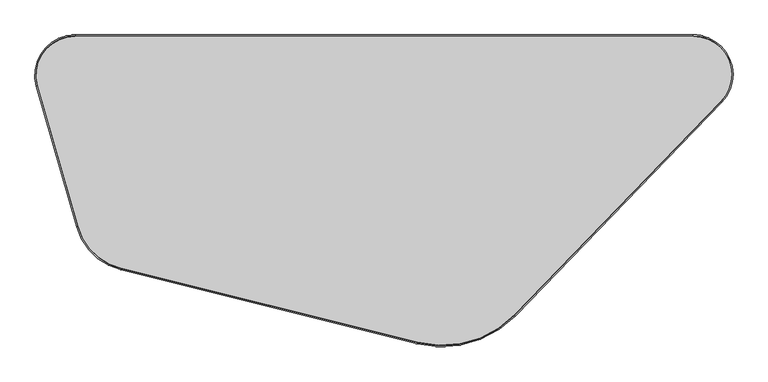
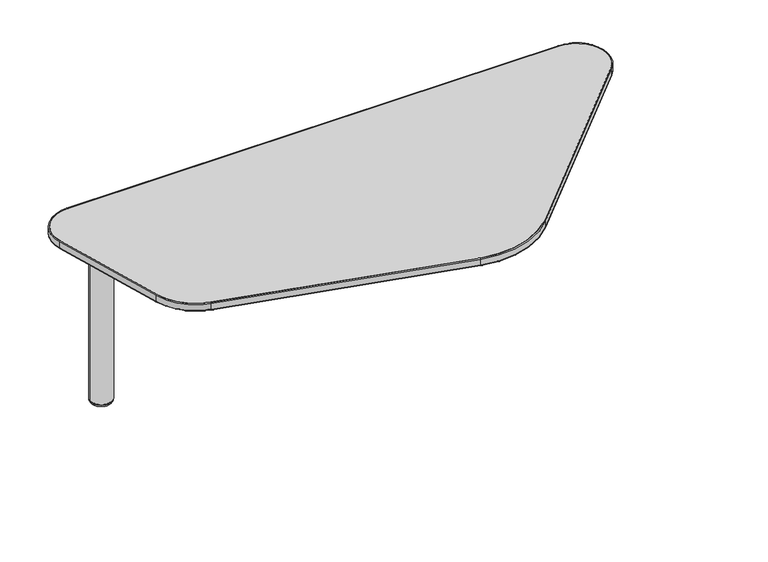
"""IFC4 building model written with IfcOpenShell, lengths in millimetres: furniture geometry."""

from ifc_helpers import new_model, si_unit, point, frame, frame_2d, origin, place, context, project, spatial, polyline, circle_curve, ellipse_curve, trimmed, segment, composite_curve, outline, extrude, source, transform, mapped, element, save
from ifc_brep_helpers import plane_surface, cylinder_surface, revolved_surface, advanced_brep


def furniture_d8603c51(model_context):
    return source(origin(), model_context, "Body", "SolidModel", [
        advanced_brep(
        [(151.892485, -160.0920056, 522.3460139), (123.7369482, -160.0920056, 522.3460139), (95.5814114, -160.0920056, 522.3460139), (151.892485, -160.0920056, 497.9086974), (95.5814114, -160.0920056, 497.9086974), (154.9928771, -160.0920056, 497.9086974), (92.4810193, -160.0920056, 497.9086974), (154.9928771, -160.0920056, 485.9002831), (92.4810193, -160.0920056, 485.9002831), (159.0300459, -160.0920056, 485.9002831), (88.4438505, -160.0920056, 485.9002831), (159.0300459, -160.0920056, 10.2163535), (88.4438505, -160.0920056, 10.2163535), (157.7621151, -160.0920056, 9.4693355), (89.7117813, -160.0920056, 9.4693355), (158.607376, -160.0920056, 8.8323857), (88.8665204, -160.0920056, 8.8323857), (150.4469167, -160.0920056, 0.0), (97.0269797, -160.0920056, 0.0), (123.7369482, -160.0920056, 0.0)],
        [
            (0, 1),
            (1, 2),
            (2, 0, circle_curve(frame((123.7369482, -160.0920056, 522.3460139), z_axis=(0.0, 0.0, 1.0), x_axis=(-1.0, 0.0, 0.0)), 28.1555368)),
            (0, 2, circle_curve(frame((123.7369482, -160.0920056, 522.3460139), z_axis=(0.0, 0.0, 1.0), x_axis=(-1.0, 0.0, 0.0)), 28.1555368)),
            (3, 0),
            (2, 4),
            (4, 3, circle_curve(frame((123.7369482, -160.0920056, 497.9086974), z_axis=(0.0, 0.0, 1.0), x_axis=(-1.0, 0.0, 0.0)), 28.1555368)),
            (3, 4, circle_curve(frame((123.7369482, -160.0920056, 497.9086974), z_axis=(0.0, 0.0, 1.0), x_axis=(-1.0, 0.0, 0.0)), 28.1555368)),
            (5, 3),
            (4, 6),
            (6, 5, circle_curve(frame((123.7369482, -160.0920056, 497.9086974), z_axis=(0.0, 0.0, 1.0), x_axis=(-1.0, 0.0, 0.0)), 31.2559289)),
            (5, 6, circle_curve(frame((123.7369482, -160.0920056, 497.9086974), z_axis=(0.0, 0.0, 1.0), x_axis=(-1.0, 0.0, 0.0)), 31.2559289)),
            (7, 5),
            (6, 8),
            (8, 7, circle_curve(frame((123.7369482, -160.0920056, 485.9002831), z_axis=(0.0, 0.0, 1.0), x_axis=(-1.0, 0.0, 0.0)), 31.2559289)),
            (7, 8, circle_curve(frame((123.7369482, -160.0920056, 485.9002831), z_axis=(0.0, 0.0, 1.0), x_axis=(-1.0, 0.0, 0.0)), 31.2559289)),
            (9, 7),
            (8, 10),
            (10, 9, circle_curve(frame((123.7369482, -160.0920056, 485.9002831), z_axis=(0.0, 0.0, 1.0), x_axis=(-1.0, 0.0, 0.0)), 35.2930977)),
            (9, 10, circle_curve(frame((123.7369482, -160.0920056, 485.9002831), z_axis=(0.0, 0.0, 1.0), x_axis=(-1.0, 0.0, 0.0)), 35.2930977)),
            (11, 9),
            (10, 12),
            (12, 11, circle_curve(frame((123.7369482, -160.0920056, 10.2163535), z_axis=(0.0, 0.0, 1.0), x_axis=(-1.0, 0.0, 0.0)), 35.2930977)),
            (11, 12, circle_curve(frame((123.7369482, -160.0920056, 10.2163535), z_axis=(0.0, 0.0, 1.0), x_axis=(-1.0, 0.0, 0.0)), 35.2930977)),
            (13, 11, circle_curve(frame((157.5737586, -160.0920056, 11.2385904), z_axis=(0.0, -1.0, 0.0), x_axis=(-1.0, 0.0, 0.0)), 1.7792529)),
            (12, 14, circle_curve(frame((89.9001378, -160.0920056, 11.2385904), z_axis=(0.0, -1.0, 0.0), x_axis=(1.0, 0.0, 0.0)), 1.7792529)),
            (14, 13, circle_curve(frame((123.7369482, -160.0920056, 9.4693355), z_axis=(0.0, 0.0, 1.0), x_axis=(-1.0, 0.0, 0.0)), 34.0251669)),
            (13, 14, circle_curve(frame((123.7369482, -160.0920056, 9.4693355), z_axis=(0.0, 0.0, 1.0), x_axis=(-1.0, 0.0, 0.0)), 34.0251669)),
            (15, 13, circle_curve(frame((157.0664072, -160.0920056, 7.6667755), z_axis=(0.0, -1.0, 0.0), x_axis=(-1.0, 0.0, 0.0)), 1.9321573)),
            (14, 16, circle_curve(frame((90.4074892, -160.0920056, 7.6667755), z_axis=(0.0, -1.0, 0.0), x_axis=(1.0, 0.0, 0.0)), 1.9321573)),
            (16, 15, circle_curve(frame((123.7369482, -160.0920056, 8.8323857), z_axis=(0.0, 0.0, 1.0), x_axis=(-1.0, 0.0, 0.0)), 34.8704278)),
            (15, 16, circle_curve(frame((123.7369482, -160.0920056, 8.8323857), z_axis=(0.0, 0.0, 1.0), x_axis=(-1.0, 0.0, 0.0)), 34.8704278)),
            (17, 15, circle_curve(frame((150.4469167, -160.0920056, 8.1860178), z_axis=(0.0, -1.0, 0.0), x_axis=(-1.0, 0.0, 0.0)), 8.1860178)),
            (16, 18, circle_curve(frame((97.0269797, -160.0920056, 8.1860178), z_axis=(0.0, -1.0, 0.0), x_axis=(1.0, 0.0, 0.0)), 8.1860178)),
            (18, 17, circle_curve(frame((123.7369482, -160.0920056, 0.0), z_axis=(0.0, 0.0, 1.0), x_axis=(-1.0, 0.0, 0.0)), 26.7099685)),
            (17, 18, circle_curve(frame((123.7369482, -160.0920056, 0.0), z_axis=(0.0, 0.0, 1.0), x_axis=(-1.0, 0.0, 0.0)), 26.7099685)),
            (19, 17),
            (18, 19),
        ],
        [
            plane_surface(frame((123.7369482, -160.0920056, 522.3460139), z_axis=(0.0, 0.0, 1.0), x_axis=(-1.0, 0.0, 0.0))),
            cylinder_surface(frame((123.7369482, -160.0920056, -31.75), z_axis=(0.0, 0.0, -1.0), x_axis=(-1.0, 0.0, 0.0)), 28.1555368),
            plane_surface(frame((123.7369482, -160.0920056, 497.9086974), z_axis=(0.0, 0.0, 1.0), x_axis=(-1.0, 0.0, 0.0))),
            cylinder_surface(frame((123.7369482, -160.0920056, -31.75), z_axis=(0.0, 0.0, -1.0), x_axis=(-1.0, 0.0, 0.0)), 31.2559289),
            plane_surface(frame((123.7369482, -160.0920056, 485.9002831), z_axis=(0.0, 0.0, 1.0), x_axis=(-1.0, 0.0, 0.0))),
            cylinder_surface(frame((123.7369482, -160.0920056, -31.75), z_axis=(0.0, 0.0, -1.0), x_axis=(-1.0, 0.0, 0.0)), 35.2930977),
            revolved_surface(trimmed(ellipse_curve(frame((89.9001378, -160.0920056, 11.2385904), z_axis=(0.0, -1.0, 0.0), x_axis=(1.0, 0.0, 0.0)), 1.7792529, 1.7792529), [point((88.4438505, -160.0920056, 10.2163535))], [point((89.7117813, -160.0920056, 9.4693355))], True, "CARTESIAN"), (123.7369482, -160.0920056, -31.75), (0.0, 0.0, -1.0)),
            revolved_surface(trimmed(ellipse_curve(frame((90.4074892, -160.0920056, 7.6667755), z_axis=(0.0, -1.0, 0.0), x_axis=(1.0, 0.0, 0.0)), 1.9321573, 1.9321573), [point((89.7117813, -160.0920056, 9.4693355))], [point((88.8665204, -160.0920056, 8.8323857))], True, "CARTESIAN"), (123.7369482, -160.0920056, -31.75), (0.0, 0.0, -1.0)),
            revolved_surface(trimmed(ellipse_curve(frame((97.0269797, -160.0920056, 8.1860178), z_axis=(0.0, -1.0, 0.0), x_axis=(1.0, 0.0, 0.0)), 8.1860178, 8.1860178), [point((88.8665204, -160.0920056, 8.8323857))], [point((97.0269797, -160.0920056, 0.0))], True, "CARTESIAN"), (123.7369482, -160.0920056, -31.75), (0.0, 0.0, -1.0)),
            plane_surface(frame((123.7369482, -160.0920056, 0.0), z_axis=(0.0, 0.0, -1.0), x_axis=(-1.0, 0.0, 0.0))),
        ],
        [
            (0, [[1, 2, 3]]),
            (0, [[-2, -1, 4]]),
            (1, [[5, -3, 6, 7]]),
            (1, [[-6, -4, -5, 8]]),
            (2, [[9, -7, 10, 11]]),
            (2, [[-10, -8, -9, 12]]),
            (3, [[13, -11, 14, 15]]),
            (3, [[-14, -12, -13, 16]]),
            (4, [[17, -15, 18, 19]]),
            (4, [[-18, -16, -17, 20]]),
            (5, [[21, -19, 22, 23]]),
            (5, [[-22, -20, -21, 24]]),
            (6, [[25, -23, 26, 27]]),
            (6, [[-26, -24, -25, 28]]),
            (7, [[29, -27, 30, 31]]),
            (7, [[-30, -28, -29, 32]]),
            (8, [[33, -31, 34, 35]]),
            (8, [[-34, -32, -33, 36]]),
            (9, [[37, -35, 38]]),
            (9, [[-38, -36, -37]]),
        ],
    ),
        advanced_brep(
        [(1777.2858768, -171.7138583, 548.8114043), (1777.2858768, -171.7138583, 574.04), (1706.0580257, -3.81, 574.04), (1706.0580257, -3.81, 548.8114043), (1780.0254096, -174.361699, 551.3514043), (1778.1990544, -172.5964719, 548.8114043), (1706.0580257, -2.54, 548.8114043), (1706.0580257, 0.0, 551.3514043), (1780.0254096, -174.361699, 571.5), (1706.0580257, 0.0, 571.5), (1778.1990544, -172.5964719, 574.04), (1706.0580257, -2.54, 574.04), (1242.620881, -724.8937589, 548.8114043), (1242.620881, -724.8937589, 574.04), (1245.3604138, -727.5415996, 551.3514043), (1243.5340586, -725.7763725, 548.8114043), (1245.3604138, -727.5415996, 571.5), (1243.5340586, -725.7763725, 574.04), (992.3252449, -796.5470514, 548.8114043), (992.3252449, -796.5470514, 574.04), (991.4019147, -800.2434769, 551.3514043), (992.0174681, -797.7791932, 548.8114043), (991.4019147, -800.2434769, 571.5), (992.0174681, -797.7791932, 574.04), (224.4975267, -604.7513419, 548.8114043), (224.4975267, -604.7513419, 574.04), (223.5741965, -608.4477673, 551.3514043), (224.18975, -605.9834837, 548.8114043), (223.5741965, -608.4477673, 571.5), (224.18975, -605.9834837, 574.04), (112.1766645, -496.1898977, 548.8114043), (112.1766645, -496.1898977, 574.04), (108.5138011, -497.2384831, 551.3514043), (110.95571, -496.5394262, 548.8114043), (108.5138011, -497.2384831, 571.5), (110.95571, -496.5394262, 574.04), (7.8475055, -131.7527482, 548.8114043), (7.8475055, -131.7527482, 574.04), (4.184642, -132.8013335, 551.3514043), (6.626551, -132.1022766, 548.8114043), (4.184642, -132.8013335, 571.5), (6.626551, -132.1022766, 574.04), (104.3029099, -3.81, 548.8114043), (104.3029099, -3.81, 574.04), (104.3029099, 0.0, 551.3514043), (104.3029099, -2.54, 548.8114043), (104.3029099, 0.0, 571.5), (104.3029099, -2.54, 574.04)],
        [
            (0, 1),
            (1, 2, circle_curve(frame((1706.0580257, -102.87, 574.04), z_axis=(0.0, 0.0, 1.0), x_axis=(0.0, 1.0, 0.0)), 99.06)),
            (2, 3),
            (3, 0, circle_curve(frame((1706.0580257, -102.87, 548.8114043), z_axis=(0.0, 0.0, -1.0), x_axis=(0.0, 1.0, 0.0)), 99.06)),
            (4, 5, circle_curve(frame((1778.1990544, -172.5964719, 551.3514043), z_axis=(0.694971313598274, 0.7190374630542483, 0.0), x_axis=(-0.7190374630542483, 0.694971313598274, 0.0)), 2.54)),
            (5, 6, circle_curve(frame((1706.0580257, -102.87, 548.8114043), z_axis=(0.0, 0.0, 1.0), x_axis=(0.0, 1.0, 0.0)), 100.33)),
            (6, 7, circle_curve(frame((1706.0580257, -2.54, 551.3514043), z_axis=(1.0, 0.0, 0.0), x_axis=(0.0, -1.0, 0.0)), 2.54)),
            (7, 4, circle_curve(frame((1706.0580257, -102.87, 551.3514043), z_axis=(0.0, 0.0, -1.0), x_axis=(0.0, 1.0, 0.0)), 102.87)),
            (8, 4),
            (7, 9),
            (9, 8, circle_curve(frame((1706.0580257, -102.87, 571.5), z_axis=(0.0, 0.0, -1.0), x_axis=(0.0, 1.0, 0.0)), 102.87)),
            (10, 8, circle_curve(frame((1778.1990544, -172.5964719, 571.5), z_axis=(0.6949713135982734, 0.719037463054249, 0.0), x_axis=(-0.719037463054249, 0.6949713135982734, 0.0)), 2.54)),
            (9, 11, circle_curve(frame((1706.0580257, -2.54, 571.5), z_axis=(1.0, 0.0, 0.0), x_axis=(0.0, -1.0, 0.0)), 2.54)),
            (11, 10, circle_curve(frame((1706.0580257, -102.87, 574.04), z_axis=(0.0, 0.0, -1.0), x_axis=(0.0, 1.0, 0.0)), 100.33)),
            (0, 12),
            (12, 13),
            (13, 1),
            (4, 14),
            (14, 15, circle_curve(frame((1243.5340586, -725.7763725, 551.3514043), z_axis=(0.6949713135982748, 0.7190374630542476, 0.0), x_axis=(-0.7190374630542475, 0.6949713135982747, 0.0)), 2.54)),
            (15, 5),
            (8, 16),
            (16, 14),
            (10, 17),
            (17, 16, circle_curve(frame((1243.5340586, -725.7763725, 571.5), z_axis=(0.6949713135982748, 0.7190374630542476, 0.0), x_axis=(-0.7190374630542475, 0.6949713135982747, 0.0)), 2.54)),
            (18, 19),
            (19, 13, circle_curve(frame((1055.4194775, -543.9579774, 574.04), z_axis=(0.0, 0.0, 1.0), x_axis=(0.7190374630542474, -0.6949713135982749, 0.0)), 260.35)),
            (12, 18, circle_curve(frame((1055.4194775, -543.9579774, 548.8114043), z_axis=(0.0, 0.0, -1.0), x_axis=(0.7190374630542474, -0.6949713135982749, 0.0)), 260.35)),
            (20, 21, circle_curve(frame((992.0174681, -797.7791932, 551.3514043), z_axis=(0.9701904129296972, -0.2423438933814996, 0.0), x_axis=(0.2423438933814996, 0.9701904129296972, 0.0)), 2.54)),
            (21, 15, circle_curve(frame((1055.4194775, -543.9579774, 548.8114043), z_axis=(0.0, 0.0, 1.0), x_axis=(0.7190374630542474, -0.6949713135982749, 0.0)), 261.62)),
            (14, 20, circle_curve(frame((1055.4194775, -543.9579774, 551.3514043), z_axis=(0.0, 0.0, -1.0), x_axis=(0.7190374630542474, -0.6949713135982749, 0.0)), 264.16)),
            (22, 20),
            (16, 22, circle_curve(frame((1055.4194775, -543.9579774, 571.5), z_axis=(0.0, 0.0, -1.0), x_axis=(0.7190374630542474, -0.6949713135982749, 0.0)), 264.16)),
            (23, 22, circle_curve(frame((992.0174681, -797.7791932, 571.5), z_axis=(0.9701904129296972, -0.24234389338149975, 0.0), x_axis=(0.24234389338149975, 0.9701904129296972, 0.0)), 2.54)),
            (17, 23, circle_curve(frame((1055.4194775, -543.9579774, 574.04), z_axis=(0.0, 0.0, -1.0), x_axis=(0.7190374630542474, -0.6949713135982749, 0.0)), 261.62)),
            (18, 24),
            (24, 25),
            (25, 19),
            (20, 26),
            (26, 27, circle_curve(frame((224.18975, -605.9834837, 551.3514043), z_axis=(0.9701904129296971, -0.24234389338150003, 0.0), x_axis=(0.24234389338150003, 0.9701904129296971, 0.0)), 2.54)),
            (27, 21),
            (22, 28),
            (28, 26),
            (23, 29),
            (29, 28, circle_curve(frame((224.18975, -605.9834837, 571.5), z_axis=(0.9701904129296971, -0.24234389338150003, 0.0), x_axis=(0.24234389338150003, 0.9701904129296971, 0.0)), 2.54)),
            (30, 31),
            (31, 25, circle_curve(frame((262.3540663, -453.1978975, 574.04), z_axis=(0.0, 0.0, 1.0), x_axis=(-0.24234389338150045, -0.970190412929697, 0.0)), 156.21)),
            (24, 30, circle_curve(frame((262.3540663, -453.1978975, 548.8114043), z_axis=(0.0, 0.0, -1.0), x_axis=(-0.24234389338150045, -0.970190412929697, 0.0)), 156.21)),
            (32, 33, circle_curve(frame((110.95571, -496.5394262, 551.3514043), z_axis=(0.27521925798007263, -0.9613814851747968, 0.0), x_axis=(0.9613814851747968, 0.27521925798007263, 0.0)), 2.54)),
            (33, 27, circle_curve(frame((262.3540663, -453.1978975, 548.8114043), z_axis=(0.0, 0.0, 1.0), x_axis=(-0.24234389338150045, -0.970190412929697, 0.0)), 157.48)),
            (26, 32, circle_curve(frame((262.3540663, -453.1978975, 551.3514043), z_axis=(0.0, 0.0, -1.0), x_axis=(-0.24234389338150045, -0.970190412929697, 0.0)), 160.02)),
            (34, 32),
            (28, 34, circle_curve(frame((262.3540663, -453.1978975, 571.5), z_axis=(0.0, 0.0, -1.0), x_axis=(-0.24234389338150045, -0.970190412929697, 0.0)), 160.02)),
            (35, 34, circle_curve(frame((110.95571, -496.5394262, 571.5), z_axis=(0.2752192579800722, -0.961381485174797, 0.0), x_axis=(0.961381485174797, 0.2752192579800722, 0.0)), 2.54)),
            (29, 35, circle_curve(frame((262.3540663, -453.1978975, 574.04), z_axis=(0.0, 0.0, -1.0), x_axis=(-0.24234389338150045, -0.970190412929697, 0.0)), 157.48)),
            (30, 36),
            (36, 37),
            (37, 31),
            (32, 38),
            (38, 39, circle_curve(frame((6.626551, -132.1022766, 551.3514043), z_axis=(0.2752192579800734, -0.9613814851747967, 0.0), x_axis=(0.9613814851747967, 0.2752192579800734, 0.0)), 2.54)),
            (39, 33),
            (34, 40),
            (40, 38),
            (35, 41),
            (41, 40, circle_curve(frame((6.626551, -132.1022766, 571.5), z_axis=(0.2752192579800734, -0.9613814851747967, 0.0), x_axis=(0.9613814851747967, 0.2752192579800734, 0.0)), 2.54)),
            (42, 43),
            (43, 37, circle_curve(frame((104.3029099, -104.14, 574.04), z_axis=(0.0, 0.0, 1.0), x_axis=(-0.9613814851747966, -0.27521925798007385, 0.0)), 100.33)),
            (36, 42, circle_curve(frame((104.3029099, -104.14, 548.8114043), z_axis=(0.0, 0.0, -1.0), x_axis=(-0.9613814851747966, -0.27521925798007385, 0.0)), 100.33)),
            (44, 45, circle_curve(frame((104.3029099, -2.54, 551.3514043), z_axis=(-1.0, 0.0, 0.0), x_axis=(0.0, -1.0, 0.0)), 2.54)),
            (45, 39, circle_curve(frame((104.3029099, -104.14, 548.8114043), z_axis=(0.0, 0.0, 1.0), x_axis=(-0.9613814851747966, -0.27521925798007385, 0.0)), 101.6)),
            (38, 44, circle_curve(frame((104.3029099, -104.14, 551.3514043), z_axis=(0.0, 0.0, -1.0), x_axis=(-0.9613814851747966, -0.27521925798007385, 0.0)), 104.14)),
            (46, 44),
            (40, 46, circle_curve(frame((104.3029099, -104.14, 571.5), z_axis=(0.0, 0.0, -1.0), x_axis=(-0.9613814851747966, -0.27521925798007385, 0.0)), 104.14)),
            (47, 46, circle_curve(frame((104.3029099, -2.54, 571.5), z_axis=(-1.0, 0.0, 0.0), x_axis=(0.0, -1.0, 0.0)), 2.54)),
            (41, 47, circle_curve(frame((104.3029099, -104.14, 574.04), z_axis=(0.0, 0.0, -1.0), x_axis=(-0.9613814851747966, -0.27521925798007385, 0.0)), 101.6)),
            (42, 3),
            (2, 43),
            (45, 6),
            (44, 7),
            (46, 9),
            (47, 11),
        ],
        [
            revolved_surface(polyline([(1706.0580257, -3.8100000000000023, 574.04), (1706.0580257, -3.8100000000000023, 548.8114043)]), (1706.0580257, -102.87, 0.0), (0.0, 0.0, 1.0)),
            revolved_surface(trimmed(ellipse_curve(frame((1706.0580257, -2.54, 551.3514043), z_axis=(1.0, 0.0, 0.0), x_axis=(0.0, -1.0, 0.0)), 2.54, 2.54), [point((1706.0580257, -2.54, 548.8114043))], [point((1706.0580257, 0.0, 551.3514043))], True, "CARTESIAN"), (1706.0580257, -102.87, 0.0), (0.0, 0.0, 1.0)),
            cylinder_surface(frame((1706.0580257, -102.87, 0.0), z_axis=(0.0, 0.0, 1.0), x_axis=(0.0, 1.0, 0.0)), 102.87),
            revolved_surface(trimmed(ellipse_curve(frame((1706.0580257, -2.54, 571.5), z_axis=(1.0, 0.0, 0.0), x_axis=(0.0, -1.0, 0.0)), 2.54, 2.54), [point((1706.0580257, 0.0, 571.5))], [point((1706.0580257, -2.54, 574.04))], True, "CARTESIAN"), (1706.0580257, -102.87, 0.0), (0.0, 0.0, 1.0)),
            plane_surface(frame((1777.2858768, -171.7138583, 574.04), z_axis=(-0.7190374630542475, 0.6949713135982749, 0.0), x_axis=(-0.6949713135982749, -0.7190374630542475, 0.0))),
            cylinder_surface(frame((1778.1990544, -172.5964719, 551.3514043), z_axis=(0.6949713135982747, 0.7190374630542475, 0.0), x_axis=(-0.7190374630542475, 0.6949713135982747, 0.0)), 2.54),
            plane_surface(frame((1780.0254096, -174.361699, 551.3514043), z_axis=(0.7190374630542478, -0.6949713135982747, 0.0), x_axis=(-0.6949713135982747, -0.7190374630542478, 0.0))),
            cylinder_surface(frame((1778.1990544, -172.5964719, 571.5), z_axis=(0.6949713135982747, 0.7190374630542475, 0.0), x_axis=(-0.7190374630542475, 0.6949713135982747, 0.0)), 2.54),
            revolved_surface(polyline([(1242.6208810061735, -724.8937588953108, 574.04), (1242.6208810061735, -724.8937588953108, 548.8114043)]), (1055.4194775, -543.9579774, 0.0), (0.0, 0.0, 1.0)),
            revolved_surface(trimmed(ellipse_curve(frame((1243.5340586, -725.7763725, 551.3514043), z_axis=(-0.6949713135982749, -0.7190374630542474, 0.0), x_axis=(-0.7190374630542474, 0.6949713135982749, 0.0)), 2.54, 2.54), [point((1243.5340586, -725.7763725, 548.8114043))], [point((1245.3604138, -727.5415996, 551.3514043))], True, "CARTESIAN"), (1055.4194775, -543.9579774, 0.0), (0.0, 0.0, 1.0)),
            cylinder_surface(frame((1055.4194775, -543.9579774, 0.0), z_axis=(0.0, 0.0, 1.0), x_axis=(0.7190374630542474, -0.6949713135982749, 0.0)), 264.16),
            revolved_surface(trimmed(ellipse_curve(frame((1243.5340586, -725.7763725, 571.5), z_axis=(-0.6949713135982749, -0.7190374630542474, 0.0), x_axis=(-0.7190374630542474, 0.6949713135982749, 0.0)), 2.54, 2.54), [point((1245.3604138, -727.5415996, 571.5))], [point((1243.5340586, -725.7763725, 574.04))], True, "CARTESIAN"), (1055.4194775, -543.9579774, 0.0), (0.0, 0.0, 1.0)),
            plane_surface(frame((992.3252449, -796.5470514, 574.04), z_axis=(0.2423438933814999, 0.9701904129296972, 0.0), x_axis=(-0.9701904129296972, 0.2423438933814999, 0.0))),
            cylinder_surface(frame((992.0174681, -797.7791932, 551.3514043), z_axis=(0.9701904129296971, -0.24234389338150003, 0.0), x_axis=(0.24234389338150003, 0.9701904129296971, 0.0)), 2.54),
            plane_surface(frame((991.4019147, -800.2434769, 551.3514043), z_axis=(-0.24234389338149964, -0.9701904129296972, 0.0), x_axis=(-0.9701904129296972, 0.24234389338149964, 0.0))),
            cylinder_surface(frame((992.0174681, -797.7791932, 571.5), z_axis=(0.9701904129296971, -0.24234389338150003, 0.0), x_axis=(0.24234389338150003, 0.9701904129296971, 0.0)), 2.54),
            revolved_surface(polyline([(224.49752671487582, -604.751341903748, 574.04), (224.49752671487582, -604.751341903748, 548.8114043)]), (262.3540663, -453.1978975, 0.0), (0.0, 0.0, 1.0)),
            revolved_surface(trimmed(ellipse_curve(frame((224.18975, -605.9834837, 551.3514043), z_axis=(-0.9701904129296969, 0.2423438933815008, 0.0), x_axis=(0.2423438933815008, 0.9701904129296969, 0.0)), 2.54, 2.54), [point((224.18975, -605.9834837, 548.8114043))], [point((223.5741965, -608.4477673, 551.3514043))], True, "CARTESIAN"), (262.3540663, -453.1978975, 0.0), (0.0, 0.0, 1.0)),
            cylinder_surface(frame((262.3540663, -453.1978975, 0.0), z_axis=(0.0, 0.0, 1.0), x_axis=(-0.24234389338150045, -0.970190412929697, 0.0)), 160.02),
            revolved_surface(trimmed(ellipse_curve(frame((224.18975, -605.9834837, 571.5), z_axis=(-0.9701904129296969, 0.2423438933815008, 0.0), x_axis=(0.2423438933815008, 0.9701904129296969, 0.0)), 2.54, 2.54), [point((223.5741965, -608.4477673, 571.5))], [point((224.18975, -605.9834837, 574.04))], True, "CARTESIAN"), (262.3540663, -453.1978975, 0.0), (0.0, 0.0, 1.0)),
            plane_surface(frame((112.1766645, -496.1898977, 574.04), z_axis=(0.9613814851747967, 0.27521925798007346, 0.0), x_axis=(-0.27521925798007346, 0.9613814851747967, 0.0))),
            cylinder_surface(frame((110.95571, -496.5394262, 551.3514043), z_axis=(0.2752192579800734, -0.9613814851747967, 0.0), x_axis=(0.9613814851747967, 0.2752192579800734, 0.0)), 2.54),
            plane_surface(frame((108.5138011, -497.2384831, 551.3514043), z_axis=(-0.9613814851747967, -0.2752192579800732, 0.0), x_axis=(-0.2752192579800732, 0.9613814851747967, 0.0))),
            cylinder_surface(frame((110.95571, -496.5394262, 571.5), z_axis=(0.2752192579800734, -0.9613814851747967, 0.0), x_axis=(0.9613814851747967, 0.2752192579800734, 0.0)), 2.54),
            revolved_surface(polyline([(7.847505492412665, -131.7527481531408, 574.04), (7.847505492412665, -131.7527481531408, 548.8114043)]), (104.3029099, -104.14, 0.0), (0.0, 0.0, 1.0)),
            revolved_surface(trimmed(ellipse_curve(frame((6.626551, -132.1022766, 551.3514043), z_axis=(-0.2752192579800737, 0.9613814851747966, 0.0), x_axis=(0.9613814851747966, 0.2752192579800737, 0.0)), 2.54, 2.54), [point((6.626551, -132.1022766, 548.8114043))], [point((4.184642, -132.8013335, 551.3514043))], True, "CARTESIAN"), (104.3029099, -104.14, 0.0), (0.0, 0.0, 1.0)),
            cylinder_surface(frame((104.3029099, -104.14, 0.0), z_axis=(0.0, 0.0, 1.0), x_axis=(-0.9613814851747966, -0.27521925798007385, 0.0)), 104.14),
            revolved_surface(trimmed(ellipse_curve(frame((6.626551, -132.1022766, 571.5), z_axis=(-0.2752192579800737, 0.9613814851747966, 0.0), x_axis=(0.9613814851747966, 0.2752192579800737, 0.0)), 2.54, 2.54), [point((4.184642, -132.8013335, 571.5))], [point((6.626551, -132.1022766, 574.04))], True, "CARTESIAN"), (104.3029099, -104.14, 0.0), (0.0, 0.0, 1.0)),
            plane_surface(frame((104.3029099, -3.81, 574.04), z_axis=(0.0, -1.0, 0.0), x_axis=(1.0, 0.0, 0.0))),
            plane_surface(frame((104.3029099, -3.81, 548.8114043), z_axis=(0.0, 0.0, -1.0), x_axis=(1.0, 0.0, 0.0))),
            cylinder_surface(frame((104.3029099, -2.54, 551.3514043), z_axis=(-1.0, 0.0, 0.0), x_axis=(0.0, -1.0, 0.0)), 2.54),
            plane_surface(frame((104.3029099, 0.0, 551.3514043), z_axis=(0.0, 1.0, 0.0), x_axis=(1.0, 0.0, 0.0))),
            cylinder_surface(frame((104.3029099, -2.54, 571.5), z_axis=(-1.0, 0.0, 0.0), x_axis=(0.0, -1.0, 0.0)), 2.54),
            plane_surface(frame((104.3029099, -2.54, 574.04), z_axis=(0.0, 0.0, 1.0), x_axis=(1.0, 0.0, 0.0))),
        ],
        [
            (0, [[1, 2, 3, 4]]),
            (1, [[5, 6, 7, 8]]),
            (2, [[9, -8, 10, 11]]),
            (3, [[12, -11, 13, 14]]),
            (4, [[15, 16, 17, -1]]),
            (5, [[18, 19, 20, -5]]),
            (6, [[21, 22, -18, -9]]),
            (7, [[23, 24, -21, -12]]),
            (8, [[25, 26, -16, 27]]),
            (9, [[28, 29, -19, 30]]),
            (10, [[31, -30, -22, 32]]),
            (11, [[33, -32, -24, 34]]),
            (12, [[35, 36, 37, -25]]),
            (13, [[38, 39, 40, -28]]),
            (14, [[41, 42, -38, -31]]),
            (15, [[43, 44, -41, -33]]),
            (16, [[45, 46, -36, 47]]),
            (17, [[48, 49, -39, 50]]),
            (18, [[51, -50, -42, 52]]),
            (19, [[53, -52, -44, 54]]),
            (20, [[55, 56, 57, -45]]),
            (21, [[58, 59, 60, -48]]),
            (22, [[61, 62, -58, -51]]),
            (23, [[63, 64, -61, -53]]),
            (24, [[65, 66, -56, 67]]),
            (25, [[68, 69, -59, 70]]),
            (26, [[71, -70, -62, 72]]),
            (27, [[73, -72, -64, 74]]),
            (28, [[75, -3, 76, -65]]),
            (29, [[-6, -20, -29, -40, -49, -60, -69, 77], [-47, -35, -27, -15, -4, -75, -67, -55]]),
            (30, [[78, -7, -77, -68]]),
            (31, [[79, -10, -78, -71]]),
            (32, [[80, -13, -79, -73]]),
            (33, [[-54, -43, -34, -23, -14, -80, -74, -63], [-2, -17, -26, -37, -46, -57, -66, -76]]),
        ],
    ),
        extrude(outline(composite_curve([segment(trimmed(circle_curve(frame_2d((262.3540663, -453.1978975)), 156.21), [point((224.4975267, -604.7513419))], [point((112.1766645, -496.1898977))], False, "CARTESIAN"), True, "CONTINUOUS"), segment(polyline([(112.1766645, -496.1898977), (7.8475055, -131.7527482)]), True, "CONTINUOUS"), segment(trimmed(circle_curve(frame_2d((104.3029099, -104.14)), 100.33), [point((7.8475055, -131.7527482))], [point((104.3029099, -3.81))], False, "CARTESIAN"), True, "CONTINUOUS"), segment(polyline([(104.3029099, -3.81), (1706.0580257, -3.81)]), True, "CONTINUOUS"), segment(trimmed(circle_curve(frame_2d((1706.0580257, -102.87)), 99.06), [point((1706.0580257, -3.81))], [point((1777.2858768, -171.7138583))], False, "CARTESIAN"), True, "CONTINUOUS"), segment(polyline([(1777.2858768, -171.7138583), (1242.620881, -724.8937589)]), True, "CONTINUOUS"), segment(trimmed(circle_curve(frame_2d((1055.4194775, -543.9579774)), 260.35), [point((1242.620881, -724.8937589))], [point((992.3252449, -796.5470514))], False, "CARTESIAN"), True, "CONTINUOUS"), segment(polyline([(992.3252449, -796.5470514), (224.4975267, -604.7513419)]), True, "CONTINUOUS")], self_intersect=False)), frame((0.0, 0.0, 548.8114043), z_axis=(0.0, 0.0, 1.0), x_axis=(1.0, 0.0, 0.0)), (0.0, 0.0, 1.0), 25.2285957),
    ])


if __name__ == "__main__":
    model = new_model("IFC4")
    model_context = context("Model", 3, world=origin())
    ifc_project = project(units=[si_unit("LENGTHUNIT", "METRE", prefix="MILLI")], contexts=[model_context])
    site = spatial("IfcSite", under=ifc_project)
    building = spatial("IfcBuilding", under=site)
    placement = place(None, origin())
    furniture_shape = furniture_d8603c51(model_context)
    element("IfcFurniture", 1, at=placement, inside=building, context=model_context, shape_type="MappedRepresentation", body=[
        mapped(furniture_shape, transform((0.0, 0.0, 0.0), x_axis=(1.0, 0.0, 0.0), y_axis=(0.0, 1.0, 0.0), z_axis=(0.0, 0.0, 1.0))),
    ])
    save(model, "model.ifc")
